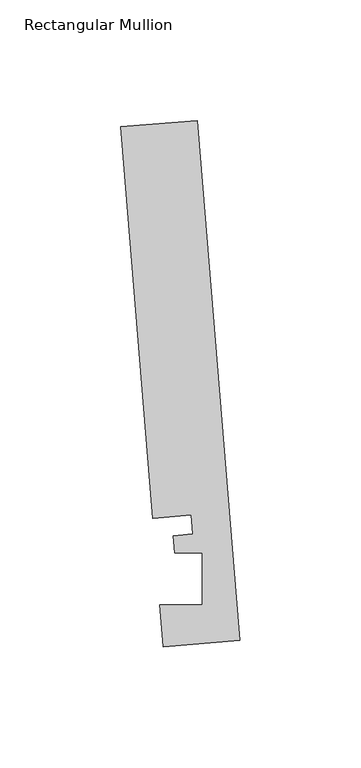
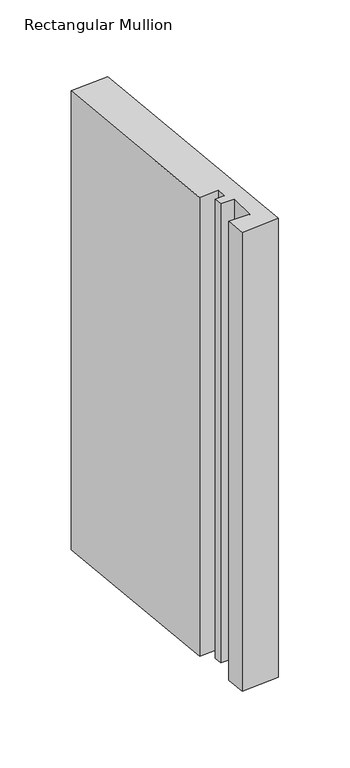
"""IFC4 building model written with IfcOpenShell, lengths in millimetres: member geometry, Rectangular Mullion."""

import ifcopenshell
import ifcopenshell.guid

model = None  # the IFC model being written
_history = None  # IfcOwnerHistory: only IFC2X3 demands one
_inside = {}  # id of a spatial element -> (the spatial element, [elements in it])
_under = {}  # id of a project, library or spatial element -> (it, [spatial elements below it])
_declared = {}  # id of a project -> (the project, [libraries it declares])
_typed = {}  # id of a type object -> (the type object, [elements of that type])
_made_of = {}  # id of a material, layer set ... -> (it, [elements and type objects made of it])


def new_model(schema):
    """Start an empty IFC model of exactly this schema.

    Asked for "IFC4X3", IfcOpenShell would pick the latest addendum, in which some entities
    have other attributes; the version numbers below select the first issue.
    IFC2X3 requires an IfcOwnerHistory on every rooted entity: one is made here for all.
    """
    global model, _history
    if schema == "IFC4X3":
        model = ifcopenshell.file(schema_version=(4, 3, 0, 0))
    else:
        model = ifcopenshell.file(schema=schema)
    _inside.clear()
    _under.clear()
    _declared.clear()
    _typed.clear()
    _made_of.clear()
    _history = None
    if model.schema == "IFC2X3":
        org = make("IfcOrganization", Name="unknown")
        user = make(
            "IfcPersonAndOrganization",
            ThePerson=make("IfcPerson", FamilyName="unknown"),
            TheOrganization=org,
        )
        app = make(
            "IfcApplication",
            ApplicationDeveloper=org,
            Version="unknown",
            ApplicationFullName="unknown",
            ApplicationIdentifier="unknown",
        )
        _history = make(
            "IfcOwnerHistory",
            OwningUser=user,
            OwningApplication=app,
            ChangeAction="ADDED",
            CreationDate=0,
        )
    return model


def make(cls, **values):
    """One entity of the class cls with the attributes given. An attribute that is None is left unset."""
    return model.create_entity(
        cls, **{name: value for name, value in values.items() if value is not None}
    )


def rooted(cls, **values):
    """An entity with a GlobalId (a new one), such as an element, a storey or a relation."""
    return make(cls, GlobalId=ifcopenshell.guid.new(), OwnerHistory=_history, **values)


def si_unit(unit_type, name, prefix=None):
    """IfcSIUnit, for example si_unit("LENGTHUNIT", "METRE", prefix="MILLI")."""
    return make("IfcSIUnit", UnitType=unit_type, Prefix=prefix, Name=name)


def assignment(units):
    """IfcUnitAssignment: the units of a project."""
    return None if units is None else make("IfcUnitAssignment", Units=units)


def point(xyz):
    """IfcCartesianPoint."""
    return None if xyz is None else make("IfcCartesianPoint", Coordinates=xyz)


def direction(xyz):
    """IfcDirection."""
    return None if xyz is None else make("IfcDirection", DirectionRatios=xyz)


def frame(location, z_axis=None, x_axis=None):
    """IfcAxis2Placement3D, a coordinate frame: its origin and axes. An axis left out is left unset."""
    return make(
        "IfcAxis2Placement3D",
        Location=point(location),
        Axis=direction(z_axis),
        RefDirection=direction(x_axis),
    )


def origin():
    """The frame at (0, 0, 0) with its axes left unset."""
    return frame((0.0, 0.0, 0.0))


def place(relative_to, where):
    """IfcLocalPlacement: puts the frame where relative to a parent placement (None: the world)."""
    return make(
        "IfcLocalPlacement", PlacementRelTo=relative_to, RelativePlacement=where
    )


def context(
    kind, dimensions, precision=None, world=None, true_north=None, identifier=None
):
    """IfcGeometricRepresentationContext, for example the 3D "Model" context."""
    return make(
        "IfcGeometricRepresentationContext",
        ContextIdentifier=identifier,
        ContextType=kind,
        CoordinateSpaceDimension=dimensions,
        Precision=precision,
        WorldCoordinateSystem=world,
        TrueNorth=true_north,
    )


def project(units=None, contexts=None):
    """IfcProject with its units and contexts."""
    return rooted(
        "IfcProject",
        Name="project",
        RepresentationContexts=contexts,
        UnitsInContext=assignment(units),
    )


def spatial(cls, under=None, at=None, **own):
    """A site, building, storey or space (cls), placed at a placement, below another one or the project."""
    s = rooted(cls, ObjectPlacement=at, **own)
    if under is not None:
        _under.setdefault(under.id(), (under, []))[1].append(s)
    return s


def polyline(points):
    """IfcPolyline through the points."""
    return make("IfcPolyline", Points=[point(p) for p in points])


def outline(outer, holes=None, kind="AREA"):
    """IfcArbitraryClosedProfileDef: a profile drawn as a closed curve; with holes, ...WithVoids."""
    if holes is None:
        return make("IfcArbitraryClosedProfileDef", ProfileType=kind, OuterCurve=outer)
    return make(
        "IfcArbitraryProfileDefWithVoids",
        ProfileType=kind,
        OuterCurve=outer,
        InnerCurves=holes,
    )


def extrude(swept, where, along, depth):
    """IfcExtrudedAreaSolid: the profile swept, set in the frame where, extruded along a direction by depth."""
    return make(
        "IfcExtrudedAreaSolid",
        SweptArea=swept,
        Position=where,
        ExtrudedDirection=direction(along),
        Depth=depth,
    )


def shape(context_of_items, identifier, shape_type, items):
    """IfcShapeRepresentation: the items that make up one representation, for example the "Body"."""
    return make(
        "IfcShapeRepresentation",
        ContextOfItems=context_of_items,
        RepresentationIdentifier=identifier,
        RepresentationType=shape_type,
        Items=items,
    )


def source(mapping_origin, context_of_items, identifier, shape_type, items):
    """IfcRepresentationMap: a shape defined once, which mapped items show again and again."""
    return make(
        "IfcRepresentationMap",
        MappingOrigin=mapping_origin,
        MappedRepresentation=shape(context_of_items, identifier, shape_type, items),
    )


def transform(
    local_origin,
    x_axis=None,
    y_axis=None,
    z_axis=None,
    scale=None,
    scale2=None,
    scale3=None,
    uniform=True,
):
    """IfcCartesianTransformationOperator3D, or its non-uniform kind. x_axis, y_axis, z_axis: its Axis1, 2, 3."""
    if uniform:
        return make(
            "IfcCartesianTransformationOperator3D",
            Axis1=direction(x_axis),
            Axis2=direction(y_axis),
            LocalOrigin=point(local_origin),
            Scale=scale,
            Axis3=direction(z_axis),
        )
    return make(
        "IfcCartesianTransformationOperator3DnonUniform",
        Axis1=direction(x_axis),
        Axis2=direction(y_axis),
        LocalOrigin=point(local_origin),
        Scale=scale,
        Axis3=direction(z_axis),
        Scale2=scale2,
        Scale3=scale3,
    )


def mapped(mapping_source, mapping_target):
    """IfcMappedItem: shows the shape of a source again, moved by a transform."""
    return make(
        "IfcMappedItem", MappingSource=mapping_source, MappingTarget=mapping_target
    )


def made_of(thing, what):
    """Note that an element or type object is made of a material, layer set ...; save() writes the relation."""
    if what is not None:
        _made_of.setdefault(what.id(), (what, []))[1].append(thing)
    return thing


def element(
    cls,
    number,
    at=None,
    inside=None,
    cuts=None,
    type_object=None,
    material=None,
    context=None,
    identifier="Body",
    shape_type=None,
    held_by="IfcProductDefinitionShape",
    body=None,
    shapes=None,
    **own,
):
    """One element of the class cls, such as IfcWall. Its Tag is "e" and its number.

    at: its placement. inside: the storey or other place that contains it. cuts: it is an
    opening in that element (IfcRelVoidsElement). A single representation is given by context,
    identifier, shape_type and body (its items); several are given by shapes. held_by: the class
    of the entity that holds the representations. save() writes the other relations.
    """
    e = rooted(cls, Tag="e%d" % number, ObjectPlacement=at, **own)
    if body is not None:
        shapes = [shape(context, identifier, shape_type, body)]
    if shapes is not None:
        e.Representation = make(held_by, Representations=shapes)
    if inside is not None:
        _inside.setdefault(inside.id(), (inside, []))[1].append(e)
    if cuts is not None:
        rooted(
            "IfcRelVoidsElement", RelatingBuildingElement=cuts, RelatedOpeningElement=e
        )
    if type_object is not None:
        _typed.setdefault(type_object.id(), (type_object, []))[1].append(e)
    return made_of(e, material)


def aggregate(whole, parts):
    """IfcRelAggregates: a whole, such as a stair, and the parts it consists of."""
    return rooted("IfcRelAggregates", RelatingObject=whole, RelatedObjects=parts)


def save(model, path):
    """Write the relations noted so far, then the file.

    IfcRelAggregates (storeys below a building ...), IfcRelContainedInSpatialStructure (elements
    in a storey), IfcRelDefinesByType, IfcRelAssociatesMaterial and IfcRelDeclares: one each for
    every whole, place, type object, material and project.
    """
    for whole, parts in _under.values():
        aggregate(whole, parts)
    for where, things in _inside.values():
        rooted(
            "IfcRelContainedInSpatialStructure",
            RelatedElements=things,
            RelatingStructure=where,
        )
    for kind, things in _typed.values():
        rooted("IfcRelDefinesByType", RelatedObjects=things, RelatingType=kind)
    for what, things in _made_of.values():
        rooted("IfcRelAssociatesMaterial", RelatedObjects=things, RelatingMaterial=what)
    for by, libraries in _declared.values():
        rooted("IfcRelDeclares", RelatingContext=by, RelatedDefinitions=libraries)
    model.write(path)


def rectangular_mullion_40f34bbf(model_context):
    return source(origin(), model_context, "Body", "SweptSolid", [
        extrude(outline(polyline([(-0.2190396, 2.6699364), (-31.8627302, 0.0739116), (-33.2772473, 17.315866), (-15.8506254, 17.315866), (-15.848851, 38.9474576), (-27.100463, 38.9474576), (-27.6861262, 46.0862742), (-19.7625461, 46.7363188), (-20.4084371, 54.6092691), (-36.2302824, 53.3112566), (-49.5364672, 215.5041572), (-17.8927766, 218.100182), (-0.2190396, 2.6699364)])), frame((0.0, 0.0, -403.2026716), z_axis=(0.0, 0.0, 1.0), x_axis=(1.0, 0.0, 0.0)), (0.0, 0.0, 1.0), 403.2026716),
    ])


if __name__ == "__main__":
    model = new_model("IFC4")
    model_context = context("Model", 3, world=origin())
    ifc_project = project(units=[si_unit("LENGTHUNIT", "METRE", prefix="MILLI")], contexts=[model_context])
    site = spatial("IfcSite", under=ifc_project)
    building = spatial("IfcBuilding", under=site)
    placement = place(None, origin())
    rectangular_mullion_shape = rectangular_mullion_40f34bbf(model_context)
    element("IfcMember", 1, ObjectType="Rectangular Mullion", at=placement, inside=building, context=model_context, shape_type="MappedRepresentation", body=[
        mapped(rectangular_mullion_shape, transform((0.0, 0.0, 0.0), x_axis=(1.0, 0.0, 0.0), y_axis=(0.0, 1.0, 0.0), z_axis=(0.0, 0.0, 1.0))),
    ])
    save(model, "model.ifc")
